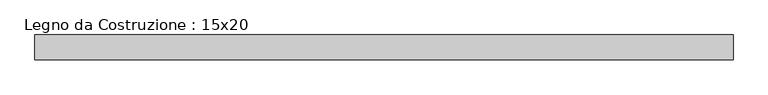
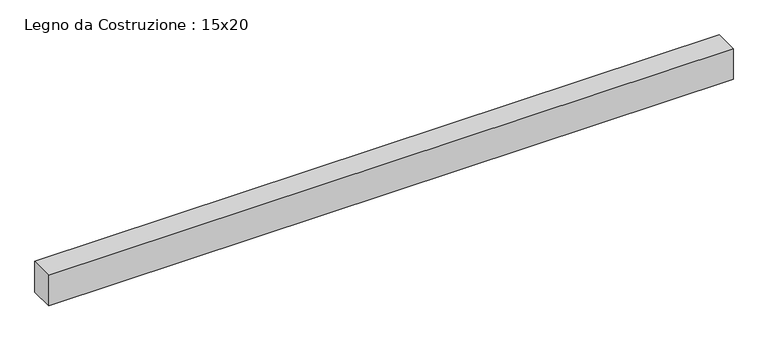
"""IFC4 building model written with IfcOpenShell, lengths in millimetres: beam geometry, Legno da Costruzione : 15x20."""

from ifc_helpers import new_model, si_unit, frame, origin, place, context, project, spatial, polyline, outline, extrude, source, transform, mapped, element, save


def legno_da_costruzione_15x20_39cb9742(model_context):
    return source(origin(), model_context, "Body", "SweptSolid", [
        extrude(outline(polyline([(2210.5, 75.0), (2210.5, -75.0), (-2021.5, -75.0), (-2021.5, 75.0), (2210.5, 75.0)])), frame((0.0, 0.0, -100.0), z_axis=(0.0, 0.0, 1.0), x_axis=(1.0, 0.0, 0.0)), (0.0, 0.0, 1.0), 200.0),
    ])


if __name__ == "__main__":
    model = new_model("IFC4")
    model_context = context("Model", 3, world=origin())
    ifc_project = project(units=[si_unit("LENGTHUNIT", "METRE", prefix="MILLI")], contexts=[model_context])
    site = spatial("IfcSite", under=ifc_project)
    building = spatial("IfcBuilding", under=site)
    placement = place(None, origin())
    legno_da_costruzione_15x20_shape = legno_da_costruzione_15x20_39cb9742(model_context)
    element("IfcBeam", 1, ObjectType="Legno da Costruzione : 15x20", at=placement, inside=building, context=model_context, shape_type="MappedRepresentation", body=[
        mapped(legno_da_costruzione_15x20_shape, transform((0.0, 0.0, 0.0), x_axis=(1.0, 0.0, 0.0), y_axis=(0.0, 1.0, 0.0), z_axis=(0.0, 0.0, 1.0))),
    ])
    save(model, "model.ifc")
